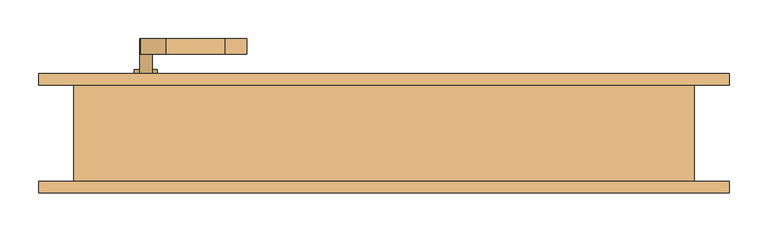
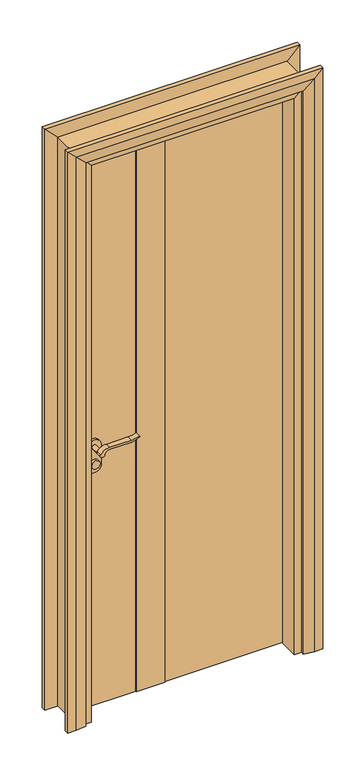
"""IFC4 building model written with IfcOpenShell, lengths in millimetres: door geometry."""

from ifc_helpers import new_model, si_unit, point, frame, frame_2d, origin, origin_with_axes, place, context, project, spatial, polyline, circle_curve, trimmed, segment, composite_curve, outline, extrude, faceted_brep, source, transform, mapped, element, save


def door_a9829333(model_context):
    return source(origin(), model_context, "Body", "SolidModel", [
        extrude(outline(composite_curve([segment(trimmed(circle_curve(frame_2d((900.0, -307.0)), 15.0), [point((900.0, -292.0))], [point((900.0, -322.0))], False, "CARTESIAN"), True, "CONTINUOUS"), segment(trimmed(circle_curve(frame_2d((900.0, -307.0)), 15.0), [point((900.0, -322.0))], [point((900.0, -292.0))], False, "CARTESIAN"), True, "CONTINUOUS")], self_intersect=False)), frame((0.0, 72.0, 0.0), z_axis=(0.0, 1.0, 0.0), x_axis=(0.0, 0.0, 1.0)), (0.0, 0.0, 1.0), 10.0),
        extrude(outline(composite_curve([segment(trimmed(circle_curve(frame_2d((900.0, -307.0)), 15.0), [point((900.0, -292.0))], [point((900.0, -322.0))], False, "CARTESIAN"), True, "CONTINUOUS"), segment(trimmed(circle_curve(frame_2d((900.0, -307.0)), 15.0), [point((900.0, -322.0))], [point((900.0, -292.0))], False, "CARTESIAN"), True, "CONTINUOUS")], self_intersect=False)), frame((0.0, -8.0, 0.0), z_axis=(0.0, 1.0, 0.0), x_axis=(0.0, 0.0, 1.0)), (0.0, 0.0, 1.0), 10.0),
        extrude(outline(composite_curve([segment(trimmed(circle_curve(frame_2d((960.0, -307.0)), 8.0), [point((964.6523287, -313.5081363))], [point((960.0, -299.0))], False, "CARTESIAN"), True, "CONTINUOUS"), segment(trimmed(circle_curve(frame_2d((954.8738613, -281.6138099)), 18.1261387), [point((960.0, -299.0))], [point((973.0, -281.6138099))], True, "CARTESIAN"), True, "CONTINUOUS"), segment(polyline([(973.0, -281.6138099), (973.0, -205.3564091)]), True, "CONTINUOUS"), segment(trimmed(circle_curve(frame_2d((1032.2709207, -208.9396612)), 59.3791355), [point((973.0, -205.3564091))], [point((982.2135558, -177.0))], False, "CARTESIAN"), True, "CONTINUOUS"), segment(polyline([(982.2135558, -177.0), (985.0, -177.0)]), True, "CONTINUOUS"), segment(trimmed(circle_curve(frame_2d((1063.2850638, -205.4227909)), 83.2850902), [point((985.0, -177.0))], [point((980.0, -205.3564091))], True, "CARTESIAN"), True, "CONTINUOUS"), segment(polyline([(980.0, -205.3564091), (980.0, -281.6325667)]), True, "CONTINUOUS"), segment(trimmed(circle_curve(frame_2d((942.7555521, -283.3324871)), 37.2832219), [point((980.0, -281.6325667))], [point((964.6523287, -313.5081363))], False, "CARTESIAN"), True, "CONTINUOUS")], self_intersect=False)), frame((0.0, 102.0, 0.0), z_axis=(0.0, 1.0, 0.0), x_axis=(0.0, 0.0, 1.0)), (0.0, 0.0, 1.0), 20.0),
        extrude(outline(composite_curve([segment(trimmed(circle_curve(frame_2d((954.8738682, -281.6138122)), 18.1261318), [point((959.9999903, -299.0))], [point((973.0, -281.6138122))], True, "CARTESIAN"), True, "CONTINUOUS"), segment(polyline([(973.0, -281.6138122), (973.0, -205.3564091)]), True, "CONTINUOUS"), segment(trimmed(circle_curve(frame_2d((1032.2709207, -208.9396612)), 59.3791355), [point((973.0, -205.3564091))], [point((982.2135558, -177.0))], False, "CARTESIAN"), True, "CONTINUOUS"), segment(polyline([(982.2135558, -177.0), (985.0, -177.0)]), True, "CONTINUOUS"), segment(trimmed(circle_curve(frame_2d((1063.2850638, -205.4227909)), 83.2850902), [point((985.0, -177.0))], [point((980.0, -205.3564091))], True, "CARTESIAN"), True, "CONTINUOUS"), segment(polyline([(980.0, -205.3564091), (980.0, -281.6325667)]), True, "CONTINUOUS"), segment(trimmed(circle_curve(frame_2d((942.7555521, -283.3324871)), 37.2832219), [point((980.0, -281.6325667))], [point((964.6523287, -313.5081363))], False, "CARTESIAN"), True, "CONTINUOUS"), segment(trimmed(circle_curve(frame_2d((960.0, -307.0)), 8.0), [point((964.6523287, -313.5081363))], [point((959.9999903, -299.0))], False, "CARTESIAN"), True, "CONTINUOUS")], self_intersect=False)), frame((0.0, -48.0, 0.0), z_axis=(0.0, 1.0, 0.0), x_axis=(0.0, 0.0, 1.0)), (0.0, 0.0, 1.0), 20.0),
        extrude(outline(composite_curve([segment(trimmed(circle_curve(frame_2d((960.0, -307.0)), 8.0), [point((960.0, -299.0))], [point((960.0, -315.0))], False, "CARTESIAN"), True, "CONTINUOUS"), segment(trimmed(circle_curve(frame_2d((960.0, -307.0)), 8.0), [point((960.0, -315.0))], [point((960.0, -299.0))], False, "CARTESIAN"), True, "CONTINUOUS")], self_intersect=False)), frame((0.0, 72.0, 0.0), z_axis=(0.0, 1.0, 0.0), x_axis=(0.0, 0.0, 1.0)), (0.0, 0.0, 1.0), 30.0),
        extrude(outline(composite_curve([segment(trimmed(circle_curve(frame_2d((960.0, -307.0)), 8.0), [point((960.0, -299.0))], [point((960.0, -315.0))], False, "CARTESIAN"), True, "CONTINUOUS"), segment(trimmed(circle_curve(frame_2d((960.0, -307.0)), 8.0), [point((960.0, -315.0))], [point((960.0, -299.0))], False, "CARTESIAN"), True, "CONTINUOUS")], self_intersect=False)), frame((0.0, -28.0, 0.0), z_axis=(0.0, 1.0, 0.0), x_axis=(0.0, 0.0, 1.0)), (0.0, 0.0, 1.0), 30.0),
        extrude(outline(composite_curve([segment(trimmed(circle_curve(frame_2d((890.0, -307.0)), 25.0), [point((890.0, -332.0))], [point((890.0, -282.0))], False, "CARTESIAN"), True, "CONTINUOUS"), segment(polyline([(890.0, -282.0), (960.0, -282.0)]), True, "CONTINUOUS"), segment(trimmed(circle_curve(frame_2d((960.0, -307.0)), 25.0), [point((960.0, -282.0))], [point((960.0, -332.0))], False, "CARTESIAN"), True, "CONTINUOUS"), segment(polyline([(960.0, -332.0), (890.0, -332.0)]), True, "CONTINUOUS")], self_intersect=False)), frame((0.0, 62.0, 0.0), z_axis=(0.0, 1.0, 0.0), x_axis=(0.0, 0.0, 1.0)), (0.0, 0.0, 1.0), 10.0),
        extrude(outline(composite_curve([segment(trimmed(circle_curve(frame_2d((890.0, -307.0)), 25.0), [point((890.0, -332.0))], [point((890.0, -282.0))], False, "CARTESIAN"), True, "CONTINUOUS"), segment(polyline([(890.0, -282.0), (960.0, -282.0)]), True, "CONTINUOUS"), segment(trimmed(circle_curve(frame_2d((960.0, -307.0)), 25.0), [point((960.0, -282.0))], [point((960.0, -332.0))], False, "CARTESIAN"), True, "CONTINUOUS"), segment(polyline([(960.0, -332.0), (890.0, -332.0)]), True, "CONTINUOUS")], self_intersect=False)), frame((0.0, 2.0, 0.0), z_axis=(0.0, 1.0, 0.0), x_axis=(0.0, 0.0, 1.0)), (0.0, 0.0, 1.0), 10.0),
        extrude(outline(polyline([(-157.0, 65.0), (-57.0, 65.0), (-57.0, 9.0), (-157.0, 9.0), (-157.0, 65.0)])), origin_with_axes(), (0.0, 0.0, 1.0), 2067.0),
        faceted_brep([(-370.0, 62.0, 0.0), (-370.0, 9.0, 0.0), (-355.0, 9.0, 0.0), (-355.0, -62.0, 0.0), (-400.0, -62.0, 0.0), (-400.0, 62.0, 0.0), (-370.0, 62.0, 2070.0), (-370.0, 9.0, 2070.0), (-355.0, 9.0, 2055.0), (-355.0, -62.0, 2055.0), (-400.0, -62.0, 2100.0), (-400.0, 62.0, 2100.0), (370.0, 62.0, 2070.0), (370.0, 9.0, 2070.0), (355.0, 9.0, 2055.0), (355.0, -62.0, 2055.0), (400.0, -62.0, 2100.0), (400.0, 62.0, 2100.0), (370.0, 62.0, 0.0), (400.0, 62.0, 0.0), (400.0, -62.0, 0.0), (355.0, -62.0, 0.0), (355.0, 9.0, 0.0), (370.0, 9.0, 0.0)], [[[0, 1, 2, 3, 4, 5]], [[1, 0, 6, 7]], [[2, 1, 7, 8]], [[3, 2, 8, 9]], [[4, 3, 9, 10]], [[5, 4, 10, 11]], [[0, 5, 11, 6]], [[7, 6, 12, 13]], [[8, 7, 13, 14]], [[9, 8, 14, 15]], [[10, 9, 15, 16]], [[11, 10, 16, 17]], [[6, 11, 17, 12]], [[18, 19, 20, 21, 22, 23]], [[13, 12, 18, 23]], [[14, 13, 23, 22]], [[15, 14, 22, 21]], [[16, 15, 21, 20]], [[17, 16, 20, 19]], [[12, 17, 19, 18]]]),
        extrude(outline(polyline([(367.0, 12.0), (-57.0, 12.0), (-57.0, 62.0), (367.0, 62.0), (367.0, 12.0)])), origin_with_axes(), (0.0, 0.0, 1.0), 2067.0),
        extrude(outline(polyline([(-157.0, 12.0), (-367.0, 12.0), (-367.0, 62.0), (-157.0, 62.0), (-157.0, 12.0)])), origin_with_axes(), (0.0, 0.0, 1.0), 2067.0),
        faceted_brep([(-445.0, 62.0, 0.0), (-445.0, 77.0, 0.0), (-415.0, 77.0, 0.0), (-380.0, 72.0, 0.0), (-380.0, 62.0, 0.0), (-445.0, 62.0, 2145.0), (-445.0, 77.0, 2145.0), (-415.0, 77.0, 2115.0), (-380.0, 72.0, 2080.0), (-380.0, 62.0, 2080.0), (445.0, 62.0, 2145.0), (445.0, 77.0, 2145.0), (415.0, 77.0, 2115.0), (380.0, 72.0, 2080.0), (380.0, 62.0, 2080.0), (445.0, 62.0, 0.0), (380.0, 62.0, 0.0), (380.0, 72.0, 0.0), (415.0, 77.0, 0.0), (445.0, 77.0, 0.0)], [[[0, 1, 2, 3, 4]], [[1, 0, 5, 6]], [[2, 1, 6, 7]], [[3, 2, 7, 8]], [[4, 3, 8, 9]], [[0, 4, 9, 5]], [[6, 5, 10, 11]], [[7, 6, 11, 12]], [[8, 7, 12, 13]], [[9, 8, 13, 14]], [[5, 9, 14, 10]], [[15, 16, 17, 18, 19]], [[11, 10, 15, 19]], [[12, 11, 19, 18]], [[13, 12, 18, 17]], [[14, 13, 17, 16]], [[10, 14, 16, 15]]]),
        faceted_brep([(-380.0, -72.0, 0.0), (-415.0, -77.0, 0.0), (-445.0, -77.0, 0.0), (-445.0, -62.0, 0.0), (-380.0, -62.0, 0.0), (-380.0, -72.0, 2080.0), (-415.0, -77.0, 2115.0), (-445.0, -77.0, 2145.0), (-445.0, -62.0, 2145.0), (-380.0, -62.0, 2080.0), (380.0, -72.0, 2080.0), (415.0, -77.0, 2115.0), (445.0, -77.0, 2145.0), (445.0, -62.0, 2145.0), (380.0, -62.0, 2080.0), (380.0, -72.0, 0.0), (380.0, -62.0, 0.0), (445.0, -62.0, 0.0), (445.0, -77.0, 0.0), (415.0, -77.0, 0.0)], [[[0, 1, 2, 3, 4]], [[1, 0, 5, 6]], [[2, 1, 6, 7]], [[3, 2, 7, 8]], [[4, 3, 8, 9]], [[0, 4, 9, 5]], [[6, 5, 10, 11]], [[7, 6, 11, 12]], [[8, 7, 12, 13]], [[9, 8, 13, 14]], [[5, 9, 14, 10]], [[15, 16, 17, 18, 19]], [[11, 10, 15, 19]], [[12, 11, 19, 18]], [[13, 12, 18, 17]], [[14, 13, 17, 16]], [[10, 14, 16, 15]]]),
    ])


if __name__ == "__main__":
    model = new_model("IFC4")
    model_context = context("Model", 3, world=origin())
    ifc_project = project(units=[si_unit("LENGTHUNIT", "METRE", prefix="MILLI")], contexts=[model_context])
    site = spatial("IfcSite", under=ifc_project)
    building = spatial("IfcBuilding", under=site)
    placement = place(None, origin())
    door_shape = door_a9829333(model_context)
    element("IfcDoor", 1, at=placement, inside=building, context=model_context, shape_type="MappedRepresentation", body=[
        mapped(door_shape, transform((0.0, 0.0, 0.0), x_axis=(1.0, 0.0, 0.0), y_axis=(0.0, 1.0, 0.0), z_axis=(0.0, 0.0, 1.0))),
    ])
    save(model, "model.ifc")
